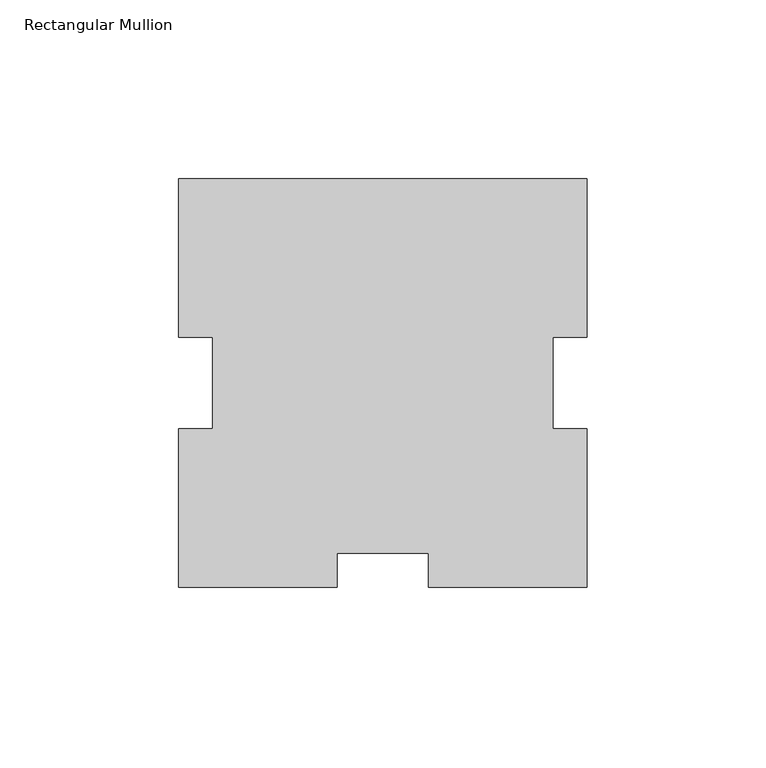
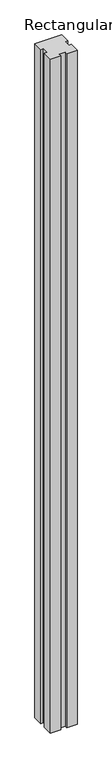
"""IFC4 building model written with IfcOpenShell, lengths in millimetres: member geometry, Rectangular Mullion."""

from ifc_helpers import new_model, si_unit, frame, origin, place, context, project, spatial, polyline, outline, extrude, source, transform, mapped, element, save


def rectangular_mullion_ee669d45(model_context):
    return source(origin(), model_context, "Body", "SweptSolid", [
        extrude(outline(polyline([(-69.8938492, -59.182), (-114.3, -59.182), (-114.3, -14.7758492), (-104.775, -14.7758492), (-104.775, 10.7118492), (-114.3, 10.7118492), (-114.3, 55.118), (0.0, 55.118), (0.0, 10.7118492), (-9.525, 10.7118492), (-9.525, -14.7758492), (0.0, -14.7758492), (0.0, -59.182), (-44.3850156, -59.182), (-44.3850156, -49.657), (-69.8938492, -49.657), (-69.8938492, -59.182)])), frame((0.0, 0.0, -3048.0), z_axis=(0.0, 0.0, 1.0), x_axis=(1.0, 0.0, 0.0)), (0.0, 0.0, 1.0), 3048.0),
    ])


if __name__ == "__main__":
    model = new_model("IFC4")
    model_context = context("Model", 3, world=origin())
    ifc_project = project(units=[si_unit("LENGTHUNIT", "METRE", prefix="MILLI")], contexts=[model_context])
    site = spatial("IfcSite", under=ifc_project)
    building = spatial("IfcBuilding", under=site)
    placement = place(None, origin())
    rectangular_mullion_shape = rectangular_mullion_ee669d45(model_context)
    element("IfcMember", 1, ObjectType="Rectangular Mullion", at=placement, inside=building, context=model_context, shape_type="MappedRepresentation", body=[
        mapped(rectangular_mullion_shape, transform((0.0, 0.0, 0.0), x_axis=(1.0, 0.0, 0.0), y_axis=(0.0, 1.0, 0.0), z_axis=(0.0, 0.0, 1.0))),
    ])
    save(model, "model.ifc")
